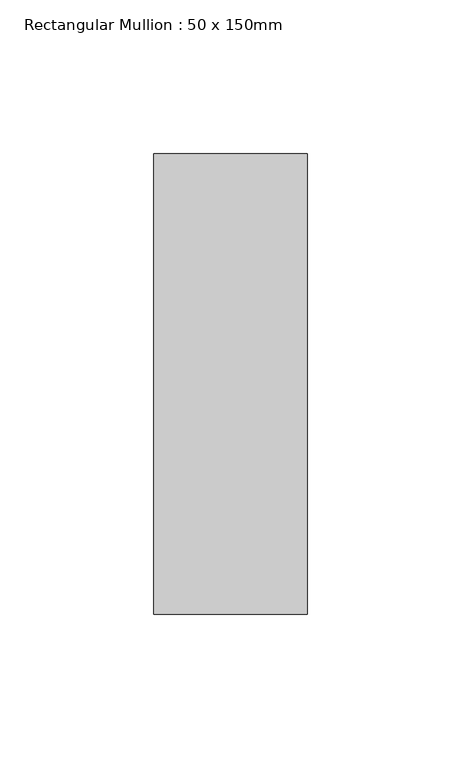
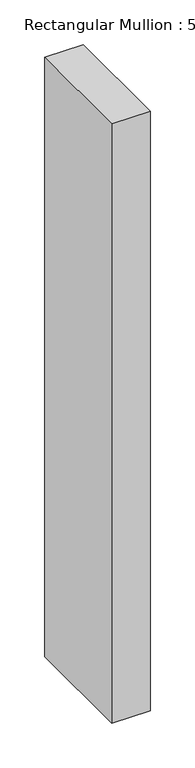
"""IFC4 building model written with IfcOpenShell, lengths in millimetres: member geometry, Rectangular Mullion : 50 x 150mm."""

import ifcopenshell
import ifcopenshell.guid

model = None  # the IFC model being written
_history = None  # IfcOwnerHistory: only IFC2X3 demands one
_inside = {}  # id of a spatial element -> (the spatial element, [elements in it])
_under = {}  # id of a project, library or spatial element -> (it, [spatial elements below it])
_declared = {}  # id of a project -> (the project, [libraries it declares])
_typed = {}  # id of a type object -> (the type object, [elements of that type])
_made_of = {}  # id of a material, layer set ... -> (it, [elements and type objects made of it])


def new_model(schema):
    """Start an empty IFC model of exactly this schema.

    Asked for "IFC4X3", IfcOpenShell would pick the latest addendum, in which some entities
    have other attributes; the version numbers below select the first issue.
    IFC2X3 requires an IfcOwnerHistory on every rooted entity: one is made here for all.
    """
    global model, _history
    if schema == "IFC4X3":
        model = ifcopenshell.file(schema_version=(4, 3, 0, 0))
    else:
        model = ifcopenshell.file(schema=schema)
    _inside.clear()
    _under.clear()
    _declared.clear()
    _typed.clear()
    _made_of.clear()
    _history = None
    if model.schema == "IFC2X3":
        org = make("IfcOrganization", Name="unknown")
        user = make(
            "IfcPersonAndOrganization",
            ThePerson=make("IfcPerson", FamilyName="unknown"),
            TheOrganization=org,
        )
        app = make(
            "IfcApplication",
            ApplicationDeveloper=org,
            Version="unknown",
            ApplicationFullName="unknown",
            ApplicationIdentifier="unknown",
        )
        _history = make(
            "IfcOwnerHistory",
            OwningUser=user,
            OwningApplication=app,
            ChangeAction="ADDED",
            CreationDate=0,
        )
    return model


def make(cls, **values):
    """One entity of the class cls with the attributes given. An attribute that is None is left unset."""
    return model.create_entity(
        cls, **{name: value for name, value in values.items() if value is not None}
    )


def rooted(cls, **values):
    """An entity with a GlobalId (a new one), such as an element, a storey or a relation."""
    return make(cls, GlobalId=ifcopenshell.guid.new(), OwnerHistory=_history, **values)


def si_unit(unit_type, name, prefix=None):
    """IfcSIUnit, for example si_unit("LENGTHUNIT", "METRE", prefix="MILLI")."""
    return make("IfcSIUnit", UnitType=unit_type, Prefix=prefix, Name=name)


def assignment(units):
    """IfcUnitAssignment: the units of a project."""
    return None if units is None else make("IfcUnitAssignment", Units=units)


def point(xyz):
    """IfcCartesianPoint."""
    return None if xyz is None else make("IfcCartesianPoint", Coordinates=xyz)


def direction(xyz):
    """IfcDirection."""
    return None if xyz is None else make("IfcDirection", DirectionRatios=xyz)


def frame(location, z_axis=None, x_axis=None):
    """IfcAxis2Placement3D, a coordinate frame: its origin and axes. An axis left out is left unset."""
    return make(
        "IfcAxis2Placement3D",
        Location=point(location),
        Axis=direction(z_axis),
        RefDirection=direction(x_axis),
    )


def origin():
    """The frame at (0, 0, 0) with its axes left unset."""
    return frame((0.0, 0.0, 0.0))


def place(relative_to, where):
    """IfcLocalPlacement: puts the frame where relative to a parent placement (None: the world)."""
    return make(
        "IfcLocalPlacement", PlacementRelTo=relative_to, RelativePlacement=where
    )


def context(
    kind, dimensions, precision=None, world=None, true_north=None, identifier=None
):
    """IfcGeometricRepresentationContext, for example the 3D "Model" context."""
    return make(
        "IfcGeometricRepresentationContext",
        ContextIdentifier=identifier,
        ContextType=kind,
        CoordinateSpaceDimension=dimensions,
        Precision=precision,
        WorldCoordinateSystem=world,
        TrueNorth=true_north,
    )


def project(units=None, contexts=None):
    """IfcProject with its units and contexts."""
    return rooted(
        "IfcProject",
        Name="project",
        RepresentationContexts=contexts,
        UnitsInContext=assignment(units),
    )


def spatial(cls, under=None, at=None, **own):
    """A site, building, storey or space (cls), placed at a placement, below another one or the project."""
    s = rooted(cls, ObjectPlacement=at, **own)
    if under is not None:
        _under.setdefault(under.id(), (under, []))[1].append(s)
    return s


def polyline(points):
    """IfcPolyline through the points."""
    return make("IfcPolyline", Points=[point(p) for p in points])


def outline(outer, holes=None, kind="AREA"):
    """IfcArbitraryClosedProfileDef: a profile drawn as a closed curve; with holes, ...WithVoids."""
    if holes is None:
        return make("IfcArbitraryClosedProfileDef", ProfileType=kind, OuterCurve=outer)
    return make(
        "IfcArbitraryProfileDefWithVoids",
        ProfileType=kind,
        OuterCurve=outer,
        InnerCurves=holes,
    )


def extrude(swept, where, along, depth):
    """IfcExtrudedAreaSolid: the profile swept, set in the frame where, extruded along a direction by depth."""
    return make(
        "IfcExtrudedAreaSolid",
        SweptArea=swept,
        Position=where,
        ExtrudedDirection=direction(along),
        Depth=depth,
    )


def shape(context_of_items, identifier, shape_type, items):
    """IfcShapeRepresentation: the items that make up one representation, for example the "Body"."""
    return make(
        "IfcShapeRepresentation",
        ContextOfItems=context_of_items,
        RepresentationIdentifier=identifier,
        RepresentationType=shape_type,
        Items=items,
    )


def source(mapping_origin, context_of_items, identifier, shape_type, items):
    """IfcRepresentationMap: a shape defined once, which mapped items show again and again."""
    return make(
        "IfcRepresentationMap",
        MappingOrigin=mapping_origin,
        MappedRepresentation=shape(context_of_items, identifier, shape_type, items),
    )


def transform(
    local_origin,
    x_axis=None,
    y_axis=None,
    z_axis=None,
    scale=None,
    scale2=None,
    scale3=None,
    uniform=True,
):
    """IfcCartesianTransformationOperator3D, or its non-uniform kind. x_axis, y_axis, z_axis: its Axis1, 2, 3."""
    if uniform:
        return make(
            "IfcCartesianTransformationOperator3D",
            Axis1=direction(x_axis),
            Axis2=direction(y_axis),
            LocalOrigin=point(local_origin),
            Scale=scale,
            Axis3=direction(z_axis),
        )
    return make(
        "IfcCartesianTransformationOperator3DnonUniform",
        Axis1=direction(x_axis),
        Axis2=direction(y_axis),
        LocalOrigin=point(local_origin),
        Scale=scale,
        Axis3=direction(z_axis),
        Scale2=scale2,
        Scale3=scale3,
    )


def mapped(mapping_source, mapping_target):
    """IfcMappedItem: shows the shape of a source again, moved by a transform."""
    return make(
        "IfcMappedItem", MappingSource=mapping_source, MappingTarget=mapping_target
    )


def made_of(thing, what):
    """Note that an element or type object is made of a material, layer set ...; save() writes the relation."""
    if what is not None:
        _made_of.setdefault(what.id(), (what, []))[1].append(thing)
    return thing


def element(
    cls,
    number,
    at=None,
    inside=None,
    cuts=None,
    type_object=None,
    material=None,
    context=None,
    identifier="Body",
    shape_type=None,
    held_by="IfcProductDefinitionShape",
    body=None,
    shapes=None,
    **own,
):
    """One element of the class cls, such as IfcWall. Its Tag is "e" and its number.

    at: its placement. inside: the storey or other place that contains it. cuts: it is an
    opening in that element (IfcRelVoidsElement). A single representation is given by context,
    identifier, shape_type and body (its items); several are given by shapes. held_by: the class
    of the entity that holds the representations. save() writes the other relations.
    """
    e = rooted(cls, Tag="e%d" % number, ObjectPlacement=at, **own)
    if body is not None:
        shapes = [shape(context, identifier, shape_type, body)]
    if shapes is not None:
        e.Representation = make(held_by, Representations=shapes)
    if inside is not None:
        _inside.setdefault(inside.id(), (inside, []))[1].append(e)
    if cuts is not None:
        rooted(
            "IfcRelVoidsElement", RelatingBuildingElement=cuts, RelatedOpeningElement=e
        )
    if type_object is not None:
        _typed.setdefault(type_object.id(), (type_object, []))[1].append(e)
    return made_of(e, material)


def aggregate(whole, parts):
    """IfcRelAggregates: a whole, such as a stair, and the parts it consists of."""
    return rooted("IfcRelAggregates", RelatingObject=whole, RelatedObjects=parts)


def save(model, path):
    """Write the relations noted so far, then the file.

    IfcRelAggregates (storeys below a building ...), IfcRelContainedInSpatialStructure (elements
    in a storey), IfcRelDefinesByType, IfcRelAssociatesMaterial and IfcRelDeclares: one each for
    every whole, place, type object, material and project.
    """
    for whole, parts in _under.values():
        aggregate(whole, parts)
    for where, things in _inside.values():
        rooted(
            "IfcRelContainedInSpatialStructure",
            RelatedElements=things,
            RelatingStructure=where,
        )
    for kind, things in _typed.values():
        rooted("IfcRelDefinesByType", RelatedObjects=things, RelatingType=kind)
    for what, things in _made_of.values():
        rooted("IfcRelAssociatesMaterial", RelatedObjects=things, RelatingMaterial=what)
    for by, libraries in _declared.values():
        rooted("IfcRelDeclares", RelatingContext=by, RelatedDefinitions=libraries)
    model.write(path)


def rectangular_mullion_50_x_150mm_07c532ff(model_context):
    return source(origin(), model_context, "Body", "SweptSolid", [
        extrude(outline(polyline([(0.0, 75.0), (0.0, -75.0), (-50.0, -75.0), (-50.0, 75.0), (0.0, 75.0)])), frame((0.0, 0.0, -820.0), z_axis=(0.0, 0.0, 1.0), x_axis=(1.0, 0.0, 0.0)), (0.0, 0.0, 1.0), 820.0),
    ])


if __name__ == "__main__":
    model = new_model("IFC4")
    model_context = context("Model", 3, world=origin())
    ifc_project = project(units=[si_unit("LENGTHUNIT", "METRE", prefix="MILLI")], contexts=[model_context])
    site = spatial("IfcSite", under=ifc_project)
    building = spatial("IfcBuilding", under=site)
    placement = place(None, origin())
    rectangular_mullion_50_x_150mm_shape = rectangular_mullion_50_x_150mm_07c532ff(model_context)
    element("IfcMember", 1, ObjectType="Rectangular Mullion : 50 x 150mm", at=placement, inside=building, context=model_context, shape_type="MappedRepresentation", body=[
        mapped(rectangular_mullion_50_x_150mm_shape, transform((0.0, 0.0, 0.0), x_axis=(1.0, 0.0, 0.0), y_axis=(0.0, 1.0, 0.0), z_axis=(0.0, 0.0, 1.0))),
    ])
    save(model, "model.ifc")
